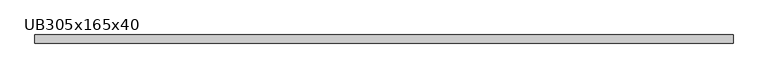
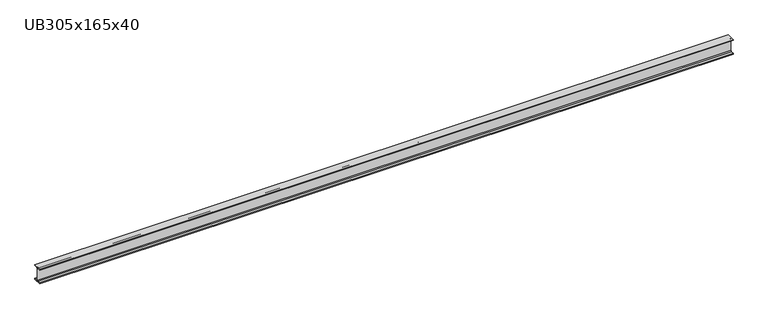
"""IFC4 building model written with IfcOpenShell, lengths in millimetres: beam geometry, UB305x165x40."""

from ifc_helpers import new_model, si_unit, point, frame, frame_2d, origin, place, context, project, spatial, polyline, circle_curve, trimmed, segment, composite_curve, outline, extrude, source, transform, mapped, element, save


def ub305x165x40_048a2d33(model_context):
    return source(origin(), model_context, "Body", "SweptSolid", [
        extrude(outline(composite_curve([segment(polyline([(42.5, -71.5), (42.5, -81.7), (-42.5, -81.7), (-42.5, -71.5), (-11.9, -71.5)]), True, "CONTINUOUS"), segment(trimmed(circle_curve(frame_2d((-11.9, -62.6)), 8.9), [point((-11.9, -71.5))], [point((-3.0, -62.6))], True, "CARTESIAN"), True, "CONTINUOUS"), segment(polyline([(-3.0, -62.6), (-3.0, 62.6)]), True, "CONTINUOUS"), segment(trimmed(circle_curve(frame_2d((-11.9, 62.6)), 8.9), [point((-3.0, 62.6))], [point((-11.9, 71.5))], True, "CARTESIAN"), True, "CONTINUOUS"), segment(polyline([(-11.9, 71.5), (-42.5, 71.5), (-42.5, 81.7), (42.5, 81.7), (42.5, 71.5), (11.9, 71.5)]), True, "CONTINUOUS"), segment(trimmed(circle_curve(frame_2d((11.9, 62.6)), 8.9), [point((11.9, 71.5))], [point((3.0, 62.6))], True, "CARTESIAN"), True, "CONTINUOUS"), segment(polyline([(3.0, 62.6), (3.0, -62.6)]), True, "CONTINUOUS"), segment(trimmed(circle_curve(frame_2d((11.9, -62.6)), 8.9), [point((3.0, -62.6))], [point((11.9, -71.5))], True, "CARTESIAN"), True, "CONTINUOUS"), segment(polyline([(11.9, -71.5), (42.5, -71.5)]), True, "CONTINUOUS")], self_intersect=False)), frame((-3654.5, 0.0, 0.0), z_axis=(1.0, 0.0, 0.0), x_axis=(0.0, 1.0, 0.0)), (0.0, 0.0, 1.0), 7309.0),
    ])


if __name__ == "__main__":
    model = new_model("IFC4")
    model_context = context("Model", 3, world=origin())
    ifc_project = project(units=[si_unit("LENGTHUNIT", "METRE", prefix="MILLI")], contexts=[model_context])
    site = spatial("IfcSite", under=ifc_project)
    building = spatial("IfcBuilding", under=site)
    placement = place(None, origin())
    ub305x165x40_shape = ub305x165x40_048a2d33(model_context)
    element("IfcBeam", 1, ObjectType="UB305x165x40", at=placement, inside=building, context=model_context, shape_type="MappedRepresentation", body=[
        mapped(ub305x165x40_shape, transform((0.0, 0.0, 0.0), x_axis=(1.0, 0.0, 0.0), y_axis=(0.0, 1.0, 0.0), z_axis=(0.0, 0.0, 1.0))),
    ])
    save(model, "model.ifc")
